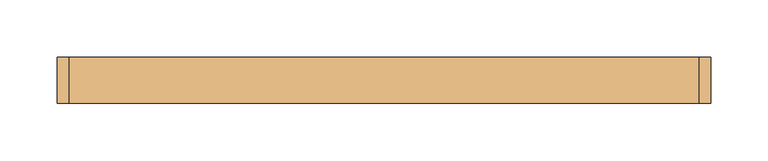
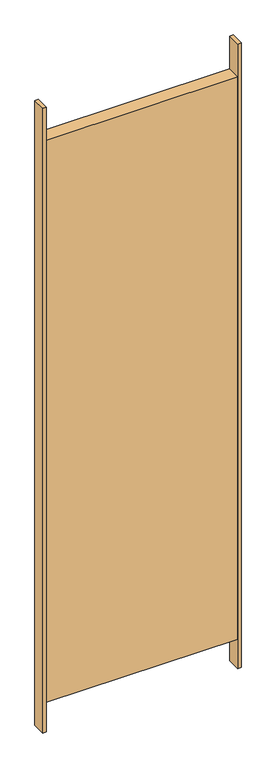
"""IFC4 building model written with IfcOpenShell, lengths in millimetres: door geometry."""

from ifc_helpers import new_model, si_unit, frame, origin, origin_with_axes, place, context, project, spatial, polyline, outline, extrude, source, transform, mapped, element, save


def door_40b0c4a3(model_context):
    return source(origin(), model_context, "Body", "SweptSolid", [
        extrude(outline(polyline([(410.0, 20.0), (410.0, -20.0), (400.0, -20.0), (400.0, 20.0), (410.0, 20.0)])), origin_with_axes(), (0.0, 0.0, 1.0), 1900.0),
        extrude(outline(polyline([(-150.0, 20.0), (-150.0, -20.0), (-160.0, -20.0), (-160.0, 20.0), (-150.0, 20.0)])), origin_with_axes(), (0.0, 0.0, 1.0), 1900.0),
        extrude(outline(polyline([(400.0, 20.0), (400.0, -20.0), (-150.0, -20.0), (-150.0, 20.0), (400.0, 20.0)])), frame((0.0, 0.0, 90.0), z_axis=(0.0, 0.0, 1.0), x_axis=(1.0, 0.0, 0.0)), (0.0, 0.0, 1.0), 1710.0),
    ])


if __name__ == "__main__":
    model = new_model("IFC4")
    model_context = context("Model", 3, world=origin())
    ifc_project = project(units=[si_unit("LENGTHUNIT", "METRE", prefix="MILLI")], contexts=[model_context])
    site = spatial("IfcSite", under=ifc_project)
    building = spatial("IfcBuilding", under=site)
    placement = place(None, origin())
    door_shape = door_40b0c4a3(model_context)
    element("IfcDoor", 1, at=placement, inside=building, context=model_context, shape_type="MappedRepresentation", body=[
        mapped(door_shape, transform((0.0, 0.0, 0.0), x_axis=(1.0, 0.0, 0.0), y_axis=(0.0, 1.0, 0.0), z_axis=(0.0, 0.0, 1.0))),
    ])
    save(model, "model.ifc")
